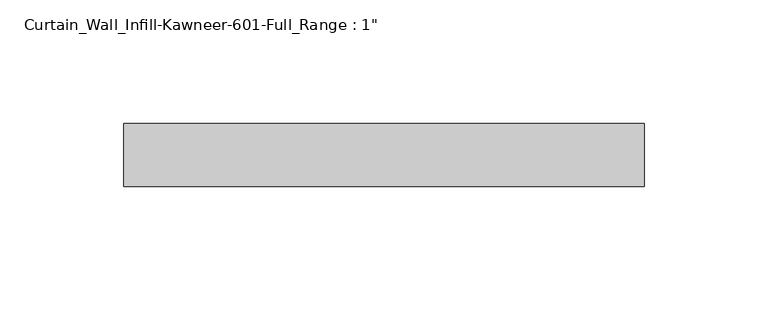
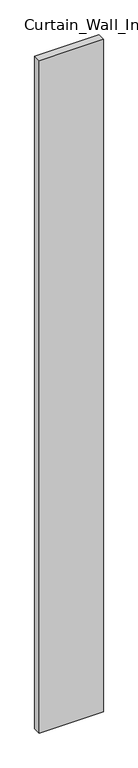
"""IFC4 building model written with IfcOpenShell, lengths in millimetres: plate geometry."""

from ifc_helpers import new_model, si_unit, origin, origin_with_axes, place, context, project, spatial, polyline, outline, extrude, source, transform, mapped, element, save


def plate_7e5f4ede(model_context):
    return source(origin(), model_context, "Body", "SweptSolid", [
        extrude(outline(polyline([(-105.0957065, 12.7), (105.0957065, 12.7), (105.0957065, -12.7), (-105.0957065, -12.7), (-105.0957065, 12.7)])), origin_with_axes(), (0.0, 0.0, 1.0), 2330.45),
    ])


if __name__ == "__main__":
    model = new_model("IFC4")
    model_context = context("Model", 3, world=origin())
    ifc_project = project(units=[si_unit("LENGTHUNIT", "METRE", prefix="MILLI")], contexts=[model_context])
    site = spatial("IfcSite", under=ifc_project)
    building = spatial("IfcBuilding", under=site)
    placement = place(None, origin())
    plate_shape = plate_7e5f4ede(model_context)
    element("IfcPlate", 1, ObjectType="Curtain_Wall_Infill-Kawneer-601-Full_Range : 1\"", at=placement, inside=building, context=model_context, shape_type="MappedRepresentation", body=[
        mapped(plate_shape, transform((0.0, 0.0, 0.0), x_axis=(1.0, 0.0, 0.0), y_axis=(0.0, 1.0, 0.0), z_axis=(0.0, 0.0, 1.0))),
    ])
    save(model, "model.ifc")
